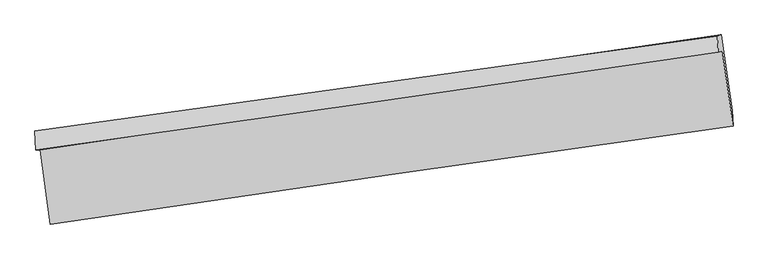
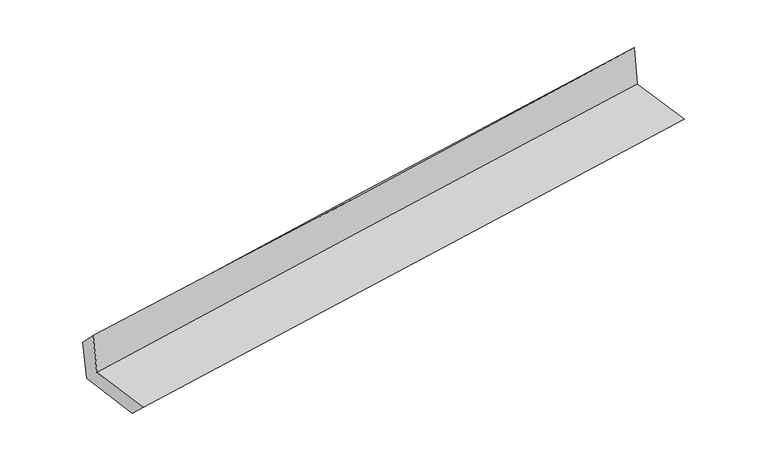
"""IFC4 building model written with IfcOpenShell, lengths in millimetres: proxy geometry."""

from ifc_helpers import new_model, si_unit, frame, origin, place, context, project, spatial, source, transform, mapped, element, save
from ifc_brep_helpers import plane_surface, spline_curve, spline_surface, advanced_brep


def generic_models_55a27d15(model_context):
    return source(origin(), model_context, "Body", "AdvancedBrep", [
        advanced_brep(
        [(-3003.4173774, -1940.0629604, 1665.1175764), (-2911.6940138, -2590.7684, 1652.1893398), (3053.8829942, -1733.0079179, 2132.0609679), (2959.641259, -1074.4824707, 2139.9999064), (-3041.0697142, -1940.4250607, 2077.2730307), (2924.0365678, -1085.7764469, 2546.3439888), (-3047.9291618, -1775.0651163, 1900.7352647), (2916.6006895, -945.3258023, 2409.7365621), (-3011.2551969, -1782.0590186, 1510.4640561), (2948.7889977, -933.4382604, 2039.7813686), (-2920.6567446, -2421.4889688, 1492.6822734), (3044.4459411, -1595.3847204, 2021.6926729)],
        [
            (0, 1),
            (1, 2, spline_curve(3, [(-2911.6940138, -2590.7684, 1652.1893398), (-1917.645007757, -2444.805371852, 1729.578648561), (-923.486831207, -2300.343500154, 1808.262792719), (1065.03883987, -2014.423366437, 1968.220025659), (2059.4063328, -1872.96507782, 2049.493091023), (3053.8829942, -1733.0079179, 2132.0609679)], [4, 2, 4], [0.0, 9.916600431189282, 19.833110867626207])),
            (2, 3),
            (3, 0, spline_curve(3, [(2959.641259, -1074.4824707, 2139.9999064), (1965.167206634, -1213.729934726, 2059.965786858), (971.010881002, -1355.485035773, 1980.375377348), (-1016.67533713, -1644.011820046, 1822.081259176), (-2010.205223351, -1790.783549022, 1743.377558712), (-3003.4173774, -1940.0629604, 1665.1175764)], [4, 2, 4], [0.0, 9.916510436436925, 19.833110867626207])),
            (4, 0),
            (3, 5),
            (5, 4, spline_curve(3, [(2924.0365678, -1085.7764469, 2546.3439888), (1930.943165974, -1229.868219559, 2458.644451823), (937.306532933, -1373.134504128, 2375.705592584), (-1051.062217558, -1658.017390357, 2219.34851993), (-2045.794345429, -1799.633976986, 2145.930393376), (-3041.0697142, -1940.4250607, 2077.2730307)], [4, 2, 4], [0.0, 9.915090236172658, 19.830270454209007])),
            (6, 4),
            (5, 7),
            (7, 6, spline_curve(3, [(2916.6006895, -945.3258023, 2409.7365621), (1921.71545239, -1083.927565988, 2333.875691419), (927.230933266, -1222.373077442, 2253.528694014), (-1060.94569122, -1498.952851567, 2083.861676104), (-2054.637788968, -1637.087111342, 1994.541574323), (-3047.9291618, -1775.0651163, 1900.7352647)], [4, 2, 4], [0.0, 9.914324328789023, 19.828738632490943])),
            (8, 6),
            (7, 9),
            (9, 8, spline_curve(3, [(2948.7889977, -933.4382604, 2039.7813686), (1956.153373615, -1078.204858873, 1948.856085021), (963.1674673, -1221.30624171, 1859.283861089), (-1023.513924268, -1504.179857657, 1682.8447327), (-2017.20941645, -1643.952061422, 1595.977852228), (-3011.2551969, -1782.0590186, 1510.4640561)], [4, 2, 4], [0.0, 9.913678694630423, 19.827447358314455])),
            (10, 8),
            (9, 11),
            (11, 10, spline_curve(3, [(3044.4459411, -1595.3847204, 2021.6926729), (2050.552395563, -1733.680284729, 1930.865173537), (1056.515988437, -1871.669776835, 1841.367417775), (-931.851570657, -2147.037865076, 1665.030594079), (-1926.182725806, -2284.416456063, 1578.191549801), (-2920.6567446, -2421.4889688, 1492.6822734)], [4, 2, 4], [0.0, 9.915146731269273, 19.830383444914943])),
            (1, 10),
            (11, 2),
        ],
        [
            spline_surface(3, 3, [[(-3003.4173774, -1940.0629604, 1665.1175764), (-2010.205223349, -1790.783549151, 1743.37755886), (-1016.675337012, -1644.011820113, 1822.08125925), (971.010880884, -1355.485035707, 1980.375377275), (1965.167206688, -1213.729934887, 2059.965786942), (2959.641259, -1074.4824707, 2139.9999064)], [(-2972.842922863, -2156.964773578, 1660.808164194), (-1979.351818196, -2008.790823354, 1738.777922112), (-985.612501782, -1862.789046728, 1817.475103762), (1002.353533919, -1575.131145975, 1976.323593396), (1996.580248712, -1433.474982488, 2056.474888262), (2991.055170736, -1293.99095311, 2137.353593572)], [(-2942.268468337, -2373.866586822, 1656.498752006), (-1948.498413053, -2226.798097622, 1734.178285382), (-954.549666554, -2081.566273403, 1812.868948251), (1033.696186951, -1794.777256305, 1972.271809493), (2027.99329073, -1653.22003006, 2052.983989567), (3022.469082464, -1513.49943549, 2134.707280728)], [(-2911.6940138, -2590.7684, 1652.1893398), (-1917.6450079, -2444.805371825, 1729.578648634), (-923.486831323, -2300.343500018, 1808.262792764), (1065.038839986, -2014.423366574, 1968.220025614), (2059.406332754, -1872.965077661, 2049.493090887), (3053.8829942, -1733.0079179, 2132.0609679)]], [4, 4], [4, 2, 4], [0.0, 2.179759373422091], [0.0, 9.916600431189282, 19.833110867626207]),
            spline_surface(3, 3, [[(-3041.0697142, -1940.4250607, 2077.2730307), (-2045.794345418, -1799.633976973, 2145.930393283), (-1051.062217716, -1658.017390362, 2219.348520042), (937.306533091, -1373.134504123, 2375.705592472), (1930.943166055, -1229.868219446, 2458.644451772), (2924.0365678, -1085.7764469, 2546.3439888)], [(-3028.518935269, -1940.304360618, 1939.887879273), (-2033.93130473, -1796.683834384, 2011.746115148), (-1039.599924152, -1653.34886696, 2086.926099752), (948.541315686, -1367.251347999, 2243.928854046), (1942.351179592, -1224.488791244, 2325.751563486), (2935.904798193, -1082.011788152, 2410.895961324)], [(-3015.968156331, -1940.183660482, 1802.502727827), (-2022.068264037, -1793.733691741, 1877.561836995), (-1028.137630577, -1648.680343515, 1954.50367954), (959.77609829, -1361.368191831, 2112.1521157), (1953.759193151, -1219.109363089, 2192.858675228), (2947.773028607, -1078.247129448, 2275.447933876)], [(-3003.4173774, -1940.0629604, 1665.1175764), (-2010.205223349, -1790.783549151, 1743.37755886), (-1016.675337012, -1644.011820113, 1822.08125925), (971.010880884, -1355.485035707, 1980.375377275), (1965.167206688, -1213.729934887, 2059.965786942), (2959.641259, -1074.4824707, 2139.9999064)]], [4, 4], [4, 2, 4], [0.0, 1.3060145927448081], [0.0, 9.91518021803635, 19.830270454209007]),
            spline_surface(3, 3, [[(-3047.9291618, -1775.0651163, 1900.7352647), (-2054.637789011, -1637.087111364, 1994.54157447), (-1060.945691154, -1498.952851587, 2083.861676206), (927.230933201, -1222.373077422, 2253.528693913), (1921.71545248, -1083.927565857, 2333.875691312), (2916.6006895, -945.3258023, 2409.7365621)], [(-3045.642679271, -1830.185097747, 1959.581186708), (-2051.689974485, -1691.269399882, 2045.004514083), (-1057.651200018, -1551.974364493, 2129.023957482), (930.589466488, -1272.626886304, 2294.254326763), (1924.79135702, -1132.574450374, 2375.465278128), (2919.079315615, -992.142683821, 2455.272370996)], [(-3043.356196729, -1885.305079253, 2018.427108692), (-2048.742159945, -1745.451688456, 2095.467453671), (-1054.356708853, -1604.995877456, 2174.186238767), (933.947999804, -1322.880695242, 2334.979959622), (1927.867261515, -1181.221334929, 2417.054864956), (2921.557941685, -1038.959565379, 2500.808179904)], [(-3041.0697142, -1940.4250607, 2077.2730307), (-2045.794345418, -1799.633976973, 2145.930393283), (-1051.062217716, -1658.017390362, 2219.348520042), (937.306533091, -1373.134504123, 2375.705592472), (1930.943166055, -1229.868219446, 2458.644451772), (2924.0365678, -1085.7764469, 2546.3439888)]], [4, 4], [4, 2, 4], [0.0, 0.6618463423395458], [0.0, 9.91441430370192, 19.828738632490943]),
            spline_surface(3, 3, [[(-3011.2551969, -1782.0590186, 1510.4640561), (-2017.209416354, -1643.95206141, 1595.977852125), (-1023.513924397, -1504.179857813, 1682.844732546), (963.167467428, -1221.306241554, 1859.283861243), (1956.153373706, -1078.20485902, 1948.856085045), (2948.7889977, -933.4382604, 2039.7813686)], [(-3023.479851867, -1779.727717861, 1640.554458953), (-2029.685540573, -1641.663744756, 1728.832426226), (-1035.991179966, -1502.437522423, 1816.517047128), (951.188622703, -1221.661853528, 1990.698805495), (1944.67406663, -1080.112427965, 2077.195953814), (2938.059561633, -937.400774367, 2163.099766447)], [(-3035.704506833, -1777.396417039, 1770.644861847), (-2042.161664792, -1639.375428019, 1861.687000369), (-1048.468435585, -1500.695186977, 1950.189361624), (939.209777927, -1222.017465448, 2122.113749661), (1933.194759556, -1082.019996911, 2205.535822543), (2927.330125567, -941.363288333, 2286.418164253)], [(-3047.9291618, -1775.0651163, 1900.7352647), (-2054.637789011, -1637.087111364, 1994.54157447), (-1060.945691154, -1498.952851587, 2083.861676206), (927.230933201, -1222.373077422, 2253.528693913), (1921.71545248, -1083.927565857, 2333.875691312), (2916.6006895, -945.3258023, 2409.7365621)]], [4, 4], [4, 2, 4], [0.0, 1.310121170754859], [0.0, 9.913768663684031, 19.827447358314455]),
            spline_surface(3, 3, [[(-2920.6567446, -2421.4889688, 1492.6822734), (-1926.18272571, -2284.416455997, 1578.191549754), (-931.851570749, -2147.037865137, 1665.03059395), (1056.51598853, -1871.669776773, 1841.367417904), (2050.552395524, -1733.68028485, 1930.865173571), (3044.4459411, -1595.3847204, 2021.6926729)], [(-2950.856228708, -2208.345652051, 1498.609534311), (-1956.524955933, -2070.928324452, 1584.120317222), (-962.405688621, -1932.751862699, 1670.96864013), (1025.39981484, -1654.881931703, 1847.339565665), (2019.086054921, -1515.188476265, 1936.86214406), (3012.560293302, -1374.735900425, 2027.722238131)], [(-2981.055712792, -1995.202335349, 1504.536795189), (-1986.867186131, -1857.440192955, 1590.049084657), (-992.959806525, -1718.465860252, 1676.906686366), (994.283641118, -1438.094086625, 1853.311713482), (1987.61971431, -1296.696667605, 1942.859114557), (2980.674645498, -1154.087080375, 2033.751803369)], [(-3011.2551969, -1782.0590186, 1510.4640561), (-2017.209416354, -1643.95206141, 1595.977852125), (-1023.513924397, -1504.179857813, 1682.844732546), (963.167467428, -1221.306241554, 1859.283861243), (1956.153373706, -1078.20485902, 1948.856085045), (2948.7889977, -933.4382604, 2039.7813686)]], [4, 4], [4, 2, 4], [0.0, 2.1438270879732224], [0.0, 9.91523671364567, 19.830383444914943]),
            spline_surface(3, 3, [[(-2911.6940138, -2590.7684, 1652.1893398), (-1917.6450079, -2444.805371825, 1729.578648634), (-923.486831323, -2300.343500018, 1808.262792764), (1065.038839986, -2014.423366574, 1968.220025614), (2059.406332754, -1872.965077661, 2049.493090887), (3053.8829942, -1733.0079179, 2132.0609679)], [(-2914.681590723, -2534.341922945, 1599.020317661), (-1920.490913826, -2391.342399894, 1679.116282336), (-926.275077814, -2249.241621729, 1760.518726504), (1062.197889486, -1966.838836645, 1925.935823056), (2056.455020332, -1826.536813384, 2009.950451779), (3050.737309821, -1687.133518726, 2095.271536231)], [(-2917.669167677, -2477.915445855, 1545.851295539), (-1923.336819784, -2337.879427928, 1628.653916053), (-929.063324259, -2198.139743426, 1712.774660209), (1059.35693903, -1919.254306702, 1883.651620462), (2053.503707946, -1780.108549127, 1970.407812679), (3047.591625479, -1641.259119574, 2058.482104569)], [(-2920.6567446, -2421.4889688, 1492.6822734), (-1926.18272571, -2284.416455997, 1578.191549754), (-931.851570749, -2147.037865137, 1665.03059395), (1056.51598853, -1871.669776773, 1841.367417904), (2050.552395524, -1733.68028485, 1930.865173571), (3044.4459411, -1595.3847204, 2021.6926729)]], [4, 4], [4, 2, 4], [0.0, 0.6579744548804011], [0.0, 9.917286318095373, 19.834482635213856]),
            plane_surface(frame((2974.5660749, -1227.9026031, 2214.9359111), z_axis=(0.986023247128957, 0.1400215319150502, 0.09028912847863026), x_axis=(-0.08663412560815469, -0.0319950583199897, 0.9957262899628647))),
            plane_surface(frame((-2989.3370348, -2074.9782541, 1716.4102569), z_axis=(-0.986417502758512, -0.13725251619797027, -0.09023445599651386), x_axis=(-0.1395529954239538, 0.9900192235711526, 0.01966973380028562))),
        ],
        [
            (0, [[1, 2, 3, 4]]),
            (1, [[5, -4, 6, 7]]),
            (2, [[8, -7, 9, 10]]),
            (3, [[11, -10, 12, 13]]),
            (4, [[14, -13, 15, 16]]),
            (5, [[17, -16, 18, -2]]),
            (6, [[-12, -9, -6, -3, -18, -15]]),
            (7, [[-1, -5, -8, -11, -14, -17]]),
        ],
    ),
    ])


if __name__ == "__main__":
    model = new_model("IFC4")
    model_context = context("Model", 3, world=origin())
    ifc_project = project(units=[si_unit("LENGTHUNIT", "METRE", prefix="MILLI")], contexts=[model_context])
    site = spatial("IfcSite", under=ifc_project)
    building = spatial("IfcBuilding", under=site)
    placement = place(None, origin())
    generic_models_shape = generic_models_55a27d15(model_context)
    element("IfcBuildingElementProxy", 1, Name="Generic Models", at=placement, inside=building, context=model_context, shape_type="MappedRepresentation", body=[
        mapped(generic_models_shape, transform((0.0, 0.0, 0.0), x_axis=(1.0, 0.0, 0.0), y_axis=(0.0, 1.0, 0.0), z_axis=(0.0, 0.0, 1.0))),
    ])
    save(model, "model.ifc")
